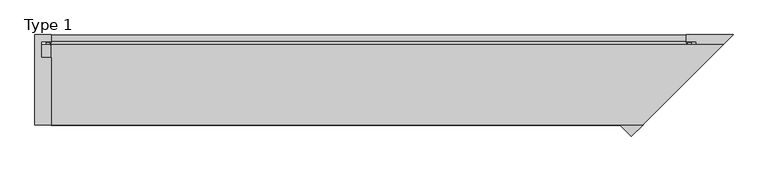
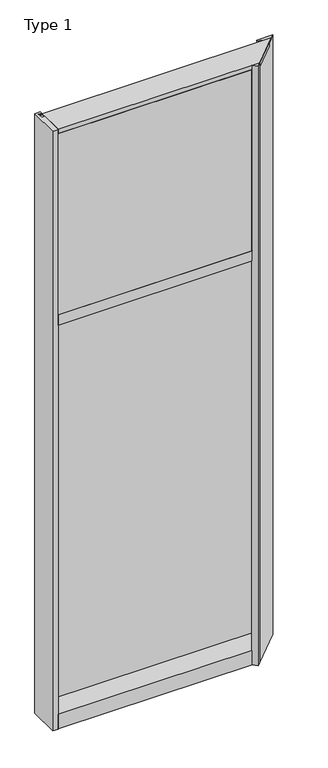
"""IFC4 building model written with IfcOpenShell, lengths in millimetres: plate geometry, Type 1."""

from ifc_helpers import new_model, si_unit, point, frame, frame_2d, origin, place, context, project, spatial, polyline, circle_curve, trimmed, segment, composite_curve, outline, extrude, faceted_brep, source, transform, mapped, element, save


def type_1_7b8bd2e1(model_context):
    return source(origin(), model_context, "Body", "SolidModel", [
        extrude(outline(polyline([(-656.2056097, -130.5814), (-656.2056097, 47.2186), (-624.4545205, 47.2186), (-624.4545205, 34.036), (-643.5056097, 34.036), (-643.5056097, 2.286), (-624.4556097, 2.286), (-624.4556097, -130.5814), (-656.2056097, -130.5814)])), frame((0.0, 0.0, -57.15), z_axis=(0.0, 0.0, 1.0), x_axis=(1.0, 0.0, 0.0)), (0.0, 0.0, 1.0), 3657.6),
        extrude(outline(composite_curve([segment(polyline([(-624.5321104, 34.0361122), (-624.9430559, 27.686), (-625.9095618, 27.686), (-625.9370692, 31.7563748)]), True, "CONTINUOUS"), segment(trimmed(circle_curve(frame_2d((-626.5720547, 31.7520836)), 0.635), [point((-625.9370692, 31.7563748))], [point((-626.5369739, 32.3861138))], True, "CARTESIAN"), True, "CONTINUOUS"), segment(polyline([(-626.5369739, 32.3861138), (-633.2923348, 32.7598869)]), True, "CONTINUOUS"), segment(trimmed(circle_curve(frame_2d((-633.1097815, 33.7593519)), 1.016), [point((-633.2923348, 32.7598869))], [point((-634.0873601, 34.0361122))], False, "CARTESIAN"), True, "CONTINUOUS"), segment(polyline([(-634.0873601, 34.0361122), (-624.5321104, 34.0361122)]), True, "CONTINUOUS")], self_intersect=False)), frame((0.0, 0.0, 2459.3728643), z_axis=(0.0, 0.0, 1.0), x_axis=(1.0, 0.0, 0.0)), (0.0, 0.0, 1.0), 1134.7271357),
        extrude(outline(composite_curve([segment(polyline([(624.9430559, 27.686), (624.5321104, 34.0361122), (634.0873601, 34.0361122)]), True, "CONTINUOUS"), segment(trimmed(circle_curve(frame_2d((633.1097815, 33.7593519)), 1.016), [point((634.0873601, 34.0361122))], [point((633.2923348, 32.7598869))], False, "CARTESIAN"), True, "CONTINUOUS"), segment(polyline([(633.2923348, 32.7598869), (626.5369739, 32.3861138)]), True, "CONTINUOUS"), segment(trimmed(circle_curve(frame_2d((626.5720547, 31.7520836)), 0.635), [point((626.5369739, 32.3861138))], [point((625.9370692, 31.7563748))], True, "CARTESIAN"), True, "CONTINUOUS"), segment(polyline([(625.9370692, 31.7563748), (625.9095618, 27.686), (624.9430559, 27.686)]), True, "CONTINUOUS")], self_intersect=False)), frame((0.0, 0.0, 2459.3728643), z_axis=(0.0, 0.0, 1.0), x_axis=(1.0, 0.0, 0.0)), (0.0, 0.0, 1.0), 1134.7271357),
        extrude(outline(polyline([(34.0361122, 2459.3728643), (27.686, 2459.3728643), (27.686, 2471.8771952), (34.0361122, 2470.1238955), (34.0361122, 2459.3728643)])), frame((-634.0873601, 0.0, 0.0), z_axis=(1.0, 0.0, 0.0), x_axis=(0.0, 1.0, 0.0)), (0.0, 0.0, 1.0), 1268.1747201),
        extrude(outline(polyline([(575.9376409, -48.514), (493.4868597, -131.0159103), (-624.4556097, -131.0159103), (-624.4556097, -48.514), (575.9376409, -48.514)])), frame((0.0, 0.0, 2470.15), z_axis=(0.0, 0.0, 1.0), x_axis=(1.0, 0.0, 0.0)), (0.0, 0.0, 1.0), 1104.9),
        extrude(outline(polyline([(643.5056097, 27.686), (643.5056097, 2.286), (-643.5056097, 2.286), (-643.5056097, 27.686), (643.5056097, 27.686)])), frame((0.0, 0.0, 2451.1), z_axis=(0.0, 0.0, 1.0), x_axis=(1.0, 0.0, 0.0)), (0.0, 0.0, 1.0), 1143.0),
        extrude(outline(composite_curve([segment(trimmed(circle_curve(frame_2d((-626.5731439, 31.7520836)), 0.635), [point((-625.9381584, 31.7563748))], [point((-626.5380631, 32.3861138))], True, "CARTESIAN"), True, "CONTINUOUS"), segment(polyline([(-626.5380631, 32.3861138), (-633.293424, 32.7598869)]), True, "CONTINUOUS"), segment(trimmed(circle_curve(frame_2d((-633.1108707, 33.7593519)), 1.016), [point((-633.293424, 32.7598869))], [point((-634.088481, 34.036))], False, "CARTESIAN"), True, "CONTINUOUS"), segment(polyline([(-634.088481, 34.036), (-624.5332069, 34.036), (-624.9441451, 27.686), (-625.910651, 27.686), (-625.9381584, 31.7563748)]), True, "CONTINUOUS")], self_intersect=False)), frame((0.0, 0.0, 20.9709644), z_axis=(0.0, 0.0, 1.0), x_axis=(1.0, 0.0, 0.0)), (0.0, 0.0, 1.0), 2396.4580861),
        extrude(outline(composite_curve([segment(polyline([(624.9441451, 27.686), (624.5332069, 34.036), (634.088481, 34.036)]), True, "CONTINUOUS"), segment(trimmed(circle_curve(frame_2d((633.1108707, 33.7593519)), 1.016), [point((634.088481, 34.036))], [point((633.293424, 32.7598869))], False, "CARTESIAN"), True, "CONTINUOUS"), segment(polyline([(633.293424, 32.7598869), (626.5380631, 32.3861138)]), True, "CONTINUOUS"), segment(trimmed(circle_curve(frame_2d((626.5731439, 31.7520836)), 0.635), [point((626.5380631, 32.3861138))], [point((625.9381584, 31.7563748))], True, "CARTESIAN"), True, "CONTINUOUS"), segment(polyline([(625.9381584, 31.7563748), (625.910651, 27.686), (624.9441451, 27.686)]), True, "CONTINUOUS")], self_intersect=False)), frame((0.0, 0.0, 20.9709644), z_axis=(0.0, 0.0, 1.0), x_axis=(1.0, 0.0, 0.0)), (0.0, 0.0, 1.0), 2396.4580861),
        extrude(outline(polyline([(643.5066989, 27.686), (643.5066989, 2.286), (-643.5066989, 2.286), (-643.5066989, 27.686), (643.5066989, 27.686)])), frame((0.0, 0.0, 12.6962001), z_axis=(0.0, 0.0, 1.0), x_axis=(1.0, 0.0, 0.0)), (0.0, 0.0, 1.0), 2413.0037999),
        extrude(outline(polyline([(27.686, 33.4752684), (34.036, 31.7219997), (34.036, 20.9709644), (27.686, 20.9709644), (27.686, 33.4752684)])), frame((-634.088481, 0.0, 0.0), z_axis=(1.0, 0.0, 0.0), x_axis=(0.0, 1.0, 0.0)), (0.0, 0.0, 1.0), 1268.1769621),
        extrude(outline(polyline([(27.6860992, 2417.4309356), (34.0360992, 2417.4309356), (34.0360992, 2406.6798775), (27.6860992, 2404.9266088), (27.6860992, 2417.4309356)])), frame((-634.088481, 0.0, 0.0), z_axis=(1.0, 0.0, 0.0), x_axis=(0.0, 1.0, 0.0)), (0.0, 0.0, 1.0), 1268.1769621),
        faceted_brep([(-624.4556097, -130.0734, 3600.45), (-624.4556097, 27.686, 3600.45), (-624.4556097, 27.686, 3594.1), (-624.4556097, 0.0, 3594.1), (-624.4556097, 0.0, 3575.051832), (-624.4556097, -130.0734, 3575.051832), (538.8971998, -130.0734, 3600.45), (696.6565998, 27.686, 3600.45), (696.6565998, 27.686, 3594.1), (668.9705998, 0.0, 3594.1), (668.9705998, 0.0, 3575.051832), (538.8971998, -130.0734, 3575.051832)], [[[0, 1, 2, 3, 4, 5]], [[1, 0, 6, 7]], [[2, 1, 7, 8]], [[3, 2, 8, 9]], [[4, 3, 9, 10]], [[5, 4, 10, 11]], [[0, 5, 11, 6]], [[7, 6, 11, 10, 9, 8]]]),
        faceted_brep([(624.4566989, 0.0, 3600.45), (493.8752989, -130.5814, 3600.45), (516.3259392, -153.0320403, 3600.45), (539.1829795, -130.175, 3600.45), (538.7955998, -130.175, 3600.45), (716.1993052, 47.2287054, 3600.45), (624.4556097, 47.2287054, 3600.45), (624.4556097, 34.13125, 3600.45), (643.5066989, 34.13125, 3600.45), (643.5066989, 0.0, 3600.45), (516.3259392, -153.0320403, -57.15), (493.8752989, -130.5814, -57.15), (494.2816989, -130.175, -57.15), (-624.4556097, -130.175, -57.15), (-624.4556097, 47.2186148, -57.15), (716.1892147, 47.2186148, -57.15), (538.7955998, -130.175, -57.15), (539.1829795, -130.175, -57.15), (624.4566989, 0.0, 2470.15), (494.2816989, -130.175, 2470.15), (494.2816989, -130.175, 2406.65), (624.4566989, 0.0, 2406.65), (624.4566989, 0.0, 31.75), (494.2816989, -130.175, 31.75), (539.1829795, -130.175, 31.75), (539.1829795, -130.175, 2406.65), (539.1829795, -130.175, 2470.15), (-624.4556097, 47.2287054, 31.751832), (624.4556097, 47.2287054, 31.751832), (643.5066989, 34.13125, 2451.1), (643.5066989, 0.0, 2451.1), (643.5066989, 34.13125, 12.7), (643.5066989, 0.0, 12.7), (643.5066989, 0.0, 2425.7), (643.5066989, 34.13125, 2425.7), (-624.4556097, 0.0, 2451.1), (-624.4556097, 0.0, 2470.15), (-624.4556097, 0.0, 12.7), (-624.4556097, 0.0, 31.75), (-624.4556097, 0.0, 2406.65), (-624.4556097, 0.0, 2425.7), (-624.4556097, 34.13125, 12.7), (-624.4556097, 34.13125, 31.751832), (-624.4556097, -130.175, 31.75), (624.4556097, 34.13125, 31.751832), (-624.4556097, 34.13125, 2451.1), (-624.4556097, 34.13125, 2470.1462001), (-624.4556097, 46.83125, 2470.1462001), (-624.4556097, 46.83125, 2406.6462001), (-624.4556097, 34.13125, 2406.6462001), (-624.4556097, 34.13125, 2425.7), (-624.4556097, -130.175, 2406.65), (-624.4556097, -130.175, 2470.15), (624.4556097, 34.13125, 2470.1462001), (624.4556097, 46.83125, 2470.1462001), (624.4556097, 46.83125, 2406.6462001), (624.4556097, 34.13125, 2406.6462001)], [[[0, 1, 2, 3, 4, 5, 6, 7, 8, 9]], [[10, 11, 12, 13, 14, 15, 16, 17]], [[1, 0, 18, 19, 20, 21, 22, 23, 12, 11]], [[2, 1, 11, 10]], [[2, 10, 17, 24, 25, 26, 3]], [[14, 27, 28, 6, 5, 15]], [[9, 8, 29, 30]], [[31, 32, 33, 34]], [[0, 9, 30, 35, 36, 18]], [[37, 38, 22, 21, 39, 40, 33, 32]], [[4, 16, 15, 5]], [[16, 4, 3, 26, 25, 24, 17]], [[38, 37, 41, 42, 27, 14, 13, 43]], [[41, 37, 32, 31]], [[27, 42, 44, 28]], [[43, 13, 12, 23]], [[38, 43, 23, 22]], [[36, 35, 45, 46, 47, 48, 49, 50, 40, 39, 51, 52]], [[45, 35, 30, 29]], [[47, 46, 53, 54]], [[48, 47, 54, 55]], [[49, 48, 55, 56]], [[40, 50, 34, 33]], [[51, 39, 21, 20]], [[52, 51, 20, 19]], [[36, 52, 19, 18]], [[7, 6, 28, 44, 56, 55, 54, 53]], [[8, 7, 53, 46, 45, 29]], [[42, 41, 31, 34, 50, 49, 56, 44]]]),
    ])


if __name__ == "__main__":
    model = new_model("IFC4")
    model_context = context("Model", 3, world=origin())
    ifc_project = project(units=[si_unit("LENGTHUNIT", "METRE", prefix="MILLI")], contexts=[model_context])
    site = spatial("IfcSite", under=ifc_project)
    building = spatial("IfcBuilding", under=site)
    placement = place(None, origin())
    type_1_shape = type_1_7b8bd2e1(model_context)
    element("IfcPlate", 1, ObjectType="Type 1", at=placement, inside=building, context=model_context, shape_type="MappedRepresentation", body=[
        mapped(type_1_shape, transform((0.0, 0.0, 0.0), x_axis=(1.0, 0.0, 0.0), y_axis=(0.0, 1.0, 0.0), z_axis=(0.0, 0.0, 1.0))),
    ])
    save(model, "model.ifc")
